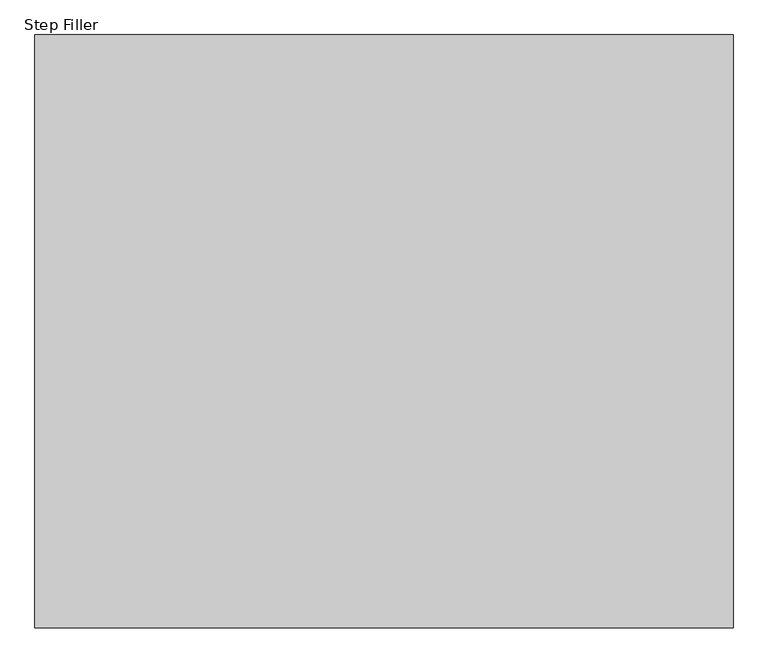
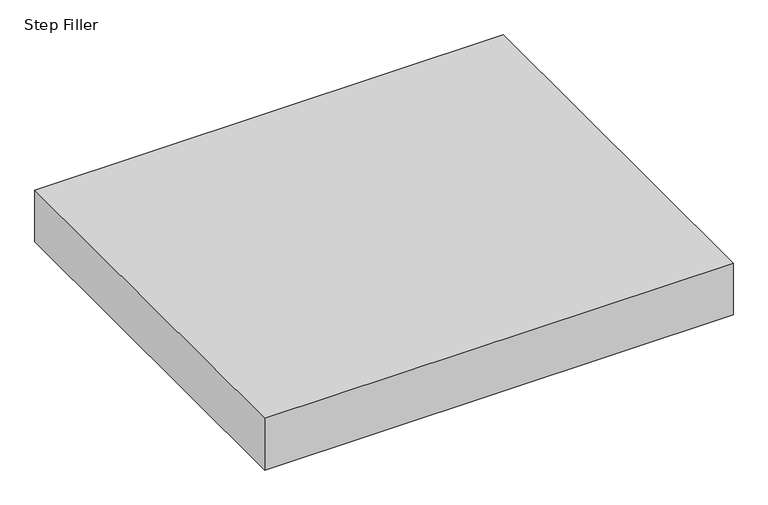
"""IFC4 building model written with IfcOpenShell, lengths in millimetres: proxy geometry, Step Filler."""

from ifc_helpers import new_model, si_unit, origin, origin_with_axes, place, context, project, spatial, polyline, outline, extrude, source, transform, mapped, element, save


def step_filler_7f7cc54a(model_context):
    return source(origin(), model_context, "Body", "SweptSolid", [
        extrude(outline(polyline([(762.0, 1295.4), (762.0, 0.0), (-762.0, 0.0), (-762.0, 1295.4), (762.0, 1295.4)])), origin_with_axes(), (0.0, 0.0, 1.0), 177.8),
    ])


if __name__ == "__main__":
    model = new_model("IFC4")
    model_context = context("Model", 3, world=origin())
    ifc_project = project(units=[si_unit("LENGTHUNIT", "METRE", prefix="MILLI")], contexts=[model_context])
    site = spatial("IfcSite", under=ifc_project)
    building = spatial("IfcBuilding", under=site)
    placement = place(None, origin())
    step_filler_shape = step_filler_7f7cc54a(model_context)
    element("IfcBuildingElementProxy", 1, Name="Step Filler", ObjectType="Step Filler", at=placement, inside=building, context=model_context, shape_type="MappedRepresentation", body=[
        mapped(step_filler_shape, transform((0.0, 0.0, 0.0), x_axis=(1.0, 0.0, 0.0), y_axis=(0.0, 1.0, 0.0), z_axis=(0.0, 0.0, 1.0))),
    ])
    save(model, "model.ifc")
